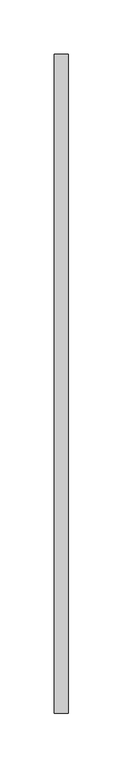
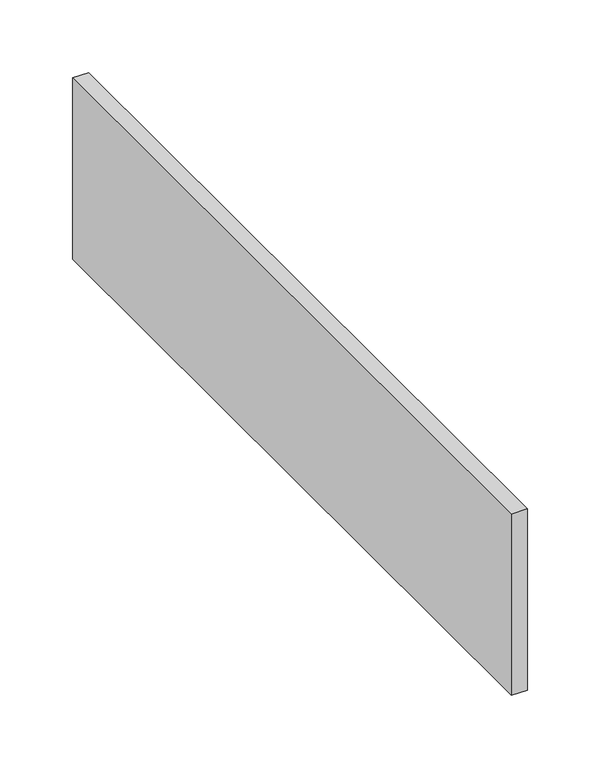
"""IFC4 building model written with IfcOpenShell, lengths in millimetres: proxy geometry."""

import ifcopenshell
import ifcopenshell.guid

model = None  # the IFC model being written
_history = None  # IfcOwnerHistory: only IFC2X3 demands one
_inside = {}  # id of a spatial element -> (the spatial element, [elements in it])
_under = {}  # id of a project, library or spatial element -> (it, [spatial elements below it])
_declared = {}  # id of a project -> (the project, [libraries it declares])
_typed = {}  # id of a type object -> (the type object, [elements of that type])
_made_of = {}  # id of a material, layer set ... -> (it, [elements and type objects made of it])


def new_model(schema):
    """Start an empty IFC model of exactly this schema.

    Asked for "IFC4X3", IfcOpenShell would pick the latest addendum, in which some entities
    have other attributes; the version numbers below select the first issue.
    IFC2X3 requires an IfcOwnerHistory on every rooted entity: one is made here for all.
    """
    global model, _history
    if schema == "IFC4X3":
        model = ifcopenshell.file(schema_version=(4, 3, 0, 0))
    else:
        model = ifcopenshell.file(schema=schema)
    _inside.clear()
    _under.clear()
    _declared.clear()
    _typed.clear()
    _made_of.clear()
    _history = None
    if model.schema == "IFC2X3":
        org = make("IfcOrganization", Name="unknown")
        user = make(
            "IfcPersonAndOrganization",
            ThePerson=make("IfcPerson", FamilyName="unknown"),
            TheOrganization=org,
        )
        app = make(
            "IfcApplication",
            ApplicationDeveloper=org,
            Version="unknown",
            ApplicationFullName="unknown",
            ApplicationIdentifier="unknown",
        )
        _history = make(
            "IfcOwnerHistory",
            OwningUser=user,
            OwningApplication=app,
            ChangeAction="ADDED",
            CreationDate=0,
        )
    return model


def make(cls, **values):
    """One entity of the class cls with the attributes given. An attribute that is None is left unset."""
    return model.create_entity(
        cls, **{name: value for name, value in values.items() if value is not None}
    )


def rooted(cls, **values):
    """An entity with a GlobalId (a new one), such as an element, a storey or a relation."""
    return make(cls, GlobalId=ifcopenshell.guid.new(), OwnerHistory=_history, **values)


def si_unit(unit_type, name, prefix=None):
    """IfcSIUnit, for example si_unit("LENGTHUNIT", "METRE", prefix="MILLI")."""
    return make("IfcSIUnit", UnitType=unit_type, Prefix=prefix, Name=name)


def assignment(units):
    """IfcUnitAssignment: the units of a project."""
    return None if units is None else make("IfcUnitAssignment", Units=units)


def point(xyz):
    """IfcCartesianPoint."""
    return None if xyz is None else make("IfcCartesianPoint", Coordinates=xyz)


def direction(xyz):
    """IfcDirection."""
    return None if xyz is None else make("IfcDirection", DirectionRatios=xyz)


def frame(location, z_axis=None, x_axis=None):
    """IfcAxis2Placement3D, a coordinate frame: its origin and axes. An axis left out is left unset."""
    return make(
        "IfcAxis2Placement3D",
        Location=point(location),
        Axis=direction(z_axis),
        RefDirection=direction(x_axis),
    )


def origin():
    """The frame at (0, 0, 0) with its axes left unset."""
    return frame((0.0, 0.0, 0.0))


def place(relative_to, where):
    """IfcLocalPlacement: puts the frame where relative to a parent placement (None: the world)."""
    return make(
        "IfcLocalPlacement", PlacementRelTo=relative_to, RelativePlacement=where
    )


def context(
    kind, dimensions, precision=None, world=None, true_north=None, identifier=None
):
    """IfcGeometricRepresentationContext, for example the 3D "Model" context."""
    return make(
        "IfcGeometricRepresentationContext",
        ContextIdentifier=identifier,
        ContextType=kind,
        CoordinateSpaceDimension=dimensions,
        Precision=precision,
        WorldCoordinateSystem=world,
        TrueNorth=true_north,
    )


def project(units=None, contexts=None):
    """IfcProject with its units and contexts."""
    return rooted(
        "IfcProject",
        Name="project",
        RepresentationContexts=contexts,
        UnitsInContext=assignment(units),
    )


def spatial(cls, under=None, at=None, **own):
    """A site, building, storey or space (cls), placed at a placement, below another one or the project."""
    s = rooted(cls, ObjectPlacement=at, **own)
    if under is not None:
        _under.setdefault(under.id(), (under, []))[1].append(s)
    return s


def polyline(points):
    """IfcPolyline through the points."""
    return make("IfcPolyline", Points=[point(p) for p in points])


def outline(outer, holes=None, kind="AREA"):
    """IfcArbitraryClosedProfileDef: a profile drawn as a closed curve; with holes, ...WithVoids."""
    if holes is None:
        return make("IfcArbitraryClosedProfileDef", ProfileType=kind, OuterCurve=outer)
    return make(
        "IfcArbitraryProfileDefWithVoids",
        ProfileType=kind,
        OuterCurve=outer,
        InnerCurves=holes,
    )


def extrude(swept, where, along, depth):
    """IfcExtrudedAreaSolid: the profile swept, set in the frame where, extruded along a direction by depth."""
    return make(
        "IfcExtrudedAreaSolid",
        SweptArea=swept,
        Position=where,
        ExtrudedDirection=direction(along),
        Depth=depth,
    )


def shape(context_of_items, identifier, shape_type, items):
    """IfcShapeRepresentation: the items that make up one representation, for example the "Body"."""
    return make(
        "IfcShapeRepresentation",
        ContextOfItems=context_of_items,
        RepresentationIdentifier=identifier,
        RepresentationType=shape_type,
        Items=items,
    )


def source(mapping_origin, context_of_items, identifier, shape_type, items):
    """IfcRepresentationMap: a shape defined once, which mapped items show again and again."""
    return make(
        "IfcRepresentationMap",
        MappingOrigin=mapping_origin,
        MappedRepresentation=shape(context_of_items, identifier, shape_type, items),
    )


def transform(
    local_origin,
    x_axis=None,
    y_axis=None,
    z_axis=None,
    scale=None,
    scale2=None,
    scale3=None,
    uniform=True,
):
    """IfcCartesianTransformationOperator3D, or its non-uniform kind. x_axis, y_axis, z_axis: its Axis1, 2, 3."""
    if uniform:
        return make(
            "IfcCartesianTransformationOperator3D",
            Axis1=direction(x_axis),
            Axis2=direction(y_axis),
            LocalOrigin=point(local_origin),
            Scale=scale,
            Axis3=direction(z_axis),
        )
    return make(
        "IfcCartesianTransformationOperator3DnonUniform",
        Axis1=direction(x_axis),
        Axis2=direction(y_axis),
        LocalOrigin=point(local_origin),
        Scale=scale,
        Axis3=direction(z_axis),
        Scale2=scale2,
        Scale3=scale3,
    )


def mapped(mapping_source, mapping_target):
    """IfcMappedItem: shows the shape of a source again, moved by a transform."""
    return make(
        "IfcMappedItem", MappingSource=mapping_source, MappingTarget=mapping_target
    )


def made_of(thing, what):
    """Note that an element or type object is made of a material, layer set ...; save() writes the relation."""
    if what is not None:
        _made_of.setdefault(what.id(), (what, []))[1].append(thing)
    return thing


def element(
    cls,
    number,
    at=None,
    inside=None,
    cuts=None,
    type_object=None,
    material=None,
    context=None,
    identifier="Body",
    shape_type=None,
    held_by="IfcProductDefinitionShape",
    body=None,
    shapes=None,
    **own,
):
    """One element of the class cls, such as IfcWall. Its Tag is "e" and its number.

    at: its placement. inside: the storey or other place that contains it. cuts: it is an
    opening in that element (IfcRelVoidsElement). A single representation is given by context,
    identifier, shape_type and body (its items); several are given by shapes. held_by: the class
    of the entity that holds the representations. save() writes the other relations.
    """
    e = rooted(cls, Tag="e%d" % number, ObjectPlacement=at, **own)
    if body is not None:
        shapes = [shape(context, identifier, shape_type, body)]
    if shapes is not None:
        e.Representation = make(held_by, Representations=shapes)
    if inside is not None:
        _inside.setdefault(inside.id(), (inside, []))[1].append(e)
    if cuts is not None:
        rooted(
            "IfcRelVoidsElement", RelatingBuildingElement=cuts, RelatedOpeningElement=e
        )
    if type_object is not None:
        _typed.setdefault(type_object.id(), (type_object, []))[1].append(e)
    return made_of(e, material)


def aggregate(whole, parts):
    """IfcRelAggregates: a whole, such as a stair, and the parts it consists of."""
    return rooted("IfcRelAggregates", RelatingObject=whole, RelatedObjects=parts)


def save(model, path):
    """Write the relations noted so far, then the file.

    IfcRelAggregates (storeys below a building ...), IfcRelContainedInSpatialStructure (elements
    in a storey), IfcRelDefinesByType, IfcRelAssociatesMaterial and IfcRelDeclares: one each for
    every whole, place, type object, material and project.
    """
    for whole, parts in _under.values():
        aggregate(whole, parts)
    for where, things in _inside.values():
        rooted(
            "IfcRelContainedInSpatialStructure",
            RelatedElements=things,
            RelatingStructure=where,
        )
    for kind, things in _typed.values():
        rooted("IfcRelDefinesByType", RelatedObjects=things, RelatingType=kind)
    for what, things in _made_of.values():
        rooted("IfcRelAssociatesMaterial", RelatedObjects=things, RelatingMaterial=what)
    for by, libraries in _declared.values():
        rooted("IfcRelDeclares", RelatingContext=by, RelatedDefinitions=libraries)
    model.write(path)


def generic_models_d56c3c67(model_context):
    return source(origin(), model_context, "Body", "SweptSolid", [
        extrude(outline(polyline([(-8667.8573603, 482.8376285), (-8667.8573603, 1087.6751285), (-8655.1573603, 1087.6751285), (-8655.1573603, 482.8376285), (-8667.8573603, 482.8376285)])), frame((0.0, 0.0, 914.4), z_axis=(0.0, 0.0, 1.0), x_axis=(1.0, 0.0, 0.0)), (0.0, 0.0, 1.0), 152.4),
    ])


if __name__ == "__main__":
    model = new_model("IFC4")
    model_context = context("Model", 3, world=origin())
    ifc_project = project(units=[si_unit("LENGTHUNIT", "METRE", prefix="MILLI")], contexts=[model_context])
    site = spatial("IfcSite", under=ifc_project)
    building = spatial("IfcBuilding", under=site)
    placement = place(None, origin())
    generic_models_shape = generic_models_d56c3c67(model_context)
    element("IfcBuildingElementProxy", 1, Name="Generic Models", at=placement, inside=building, context=model_context, shape_type="MappedRepresentation", body=[
        mapped(generic_models_shape, transform((0.0, 0.0, 0.0), x_axis=(1.0, 0.0, 0.0), y_axis=(0.0, 1.0, 0.0), z_axis=(0.0, 0.0, 1.0))),
    ])
    save(model, "model.ifc")
